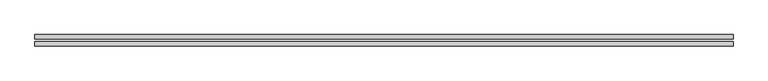
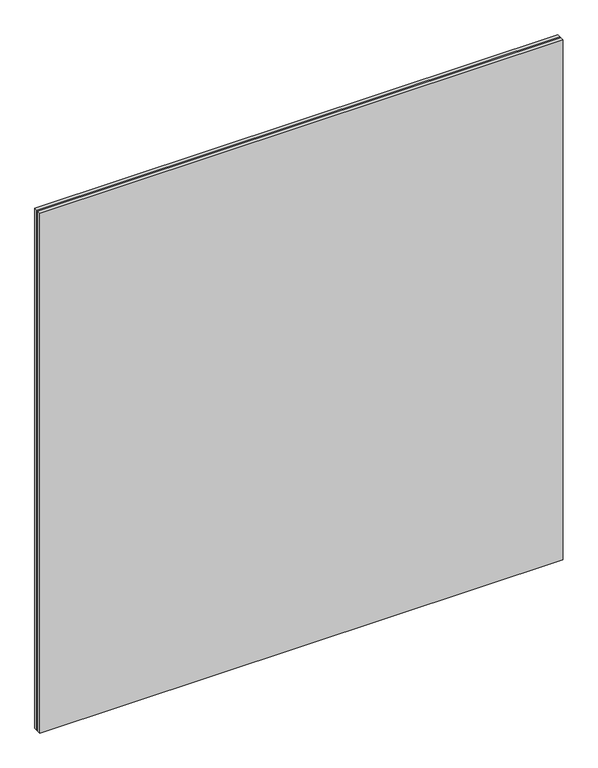
"""IFC4 building model written with IfcOpenShell, lengths in millimetres: plate geometry."""

from ifc_helpers import new_model, si_unit, origin, origin_with_axes, place, context, project, spatial, polyline, outline, extrude, source, transform, mapped, element, save


def plate_9ada73f7(model_context):
    return source(origin(), model_context, "Body", "SweptSolid", [
        extrude(outline(polyline([(616.65, -2.0), (616.65, -10.0), (-616.65, -10.0), (-616.65, -2.0), (616.65, -2.0)])), origin_with_axes(), (0.0, 0.0, 1.0), 1295.5),
        extrude(outline(polyline([(616.65, 2.0), (-616.65, 2.0), (-616.65, 10.0), (616.65, 10.0), (616.65, 2.0)])), origin_with_axes(), (0.0, 0.0, 1.0), 1295.5),
    ])


if __name__ == "__main__":
    model = new_model("IFC4")
    model_context = context("Model", 3, world=origin())
    ifc_project = project(units=[si_unit("LENGTHUNIT", "METRE", prefix="MILLI")], contexts=[model_context])
    site = spatial("IfcSite", under=ifc_project)
    building = spatial("IfcBuilding", under=site)
    placement = place(None, origin())
    plate_shape = plate_9ada73f7(model_context)
    element("IfcPlate", 1, at=placement, inside=building, context=model_context, shape_type="MappedRepresentation", body=[
        mapped(plate_shape, transform((0.0, 0.0, 0.0), x_axis=(1.0, 0.0, 0.0), y_axis=(0.0, 1.0, 0.0), z_axis=(0.0, 0.0, 1.0))),
    ])
    save(model, "model.ifc")
